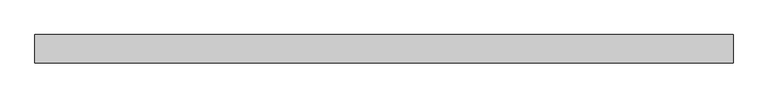
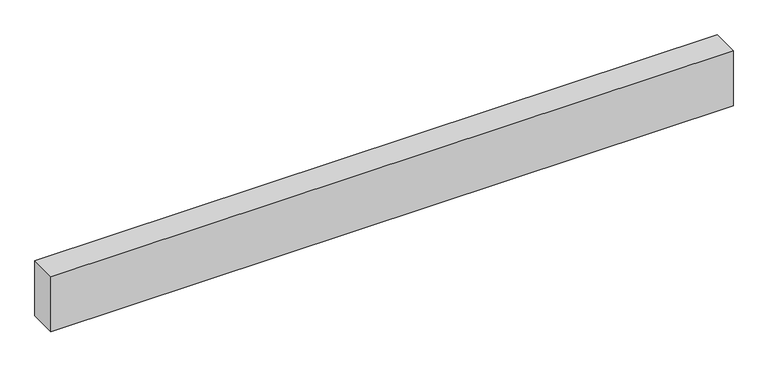
"""IFC4 building model written with IfcOpenShell, lengths in millimetres: beam geometry."""

import ifcopenshell
import ifcopenshell.guid

model = None  # the IFC model being written
_history = None  # IfcOwnerHistory: only IFC2X3 demands one
_inside = {}  # id of a spatial element -> (the spatial element, [elements in it])
_under = {}  # id of a project, library or spatial element -> (it, [spatial elements below it])
_declared = {}  # id of a project -> (the project, [libraries it declares])
_typed = {}  # id of a type object -> (the type object, [elements of that type])
_made_of = {}  # id of a material, layer set ... -> (it, [elements and type objects made of it])


def new_model(schema):
    """Start an empty IFC model of exactly this schema.

    Asked for "IFC4X3", IfcOpenShell would pick the latest addendum, in which some entities
    have other attributes; the version numbers below select the first issue.
    IFC2X3 requires an IfcOwnerHistory on every rooted entity: one is made here for all.
    """
    global model, _history
    if schema == "IFC4X3":
        model = ifcopenshell.file(schema_version=(4, 3, 0, 0))
    else:
        model = ifcopenshell.file(schema=schema)
    _inside.clear()
    _under.clear()
    _declared.clear()
    _typed.clear()
    _made_of.clear()
    _history = None
    if model.schema == "IFC2X3":
        org = make("IfcOrganization", Name="unknown")
        user = make(
            "IfcPersonAndOrganization",
            ThePerson=make("IfcPerson", FamilyName="unknown"),
            TheOrganization=org,
        )
        app = make(
            "IfcApplication",
            ApplicationDeveloper=org,
            Version="unknown",
            ApplicationFullName="unknown",
            ApplicationIdentifier="unknown",
        )
        _history = make(
            "IfcOwnerHistory",
            OwningUser=user,
            OwningApplication=app,
            ChangeAction="ADDED",
            CreationDate=0,
        )
    return model


def make(cls, **values):
    """One entity of the class cls with the attributes given. An attribute that is None is left unset."""
    return model.create_entity(
        cls, **{name: value for name, value in values.items() if value is not None}
    )


def rooted(cls, **values):
    """An entity with a GlobalId (a new one), such as an element, a storey or a relation."""
    return make(cls, GlobalId=ifcopenshell.guid.new(), OwnerHistory=_history, **values)


def si_unit(unit_type, name, prefix=None):
    """IfcSIUnit, for example si_unit("LENGTHUNIT", "METRE", prefix="MILLI")."""
    return make("IfcSIUnit", UnitType=unit_type, Prefix=prefix, Name=name)


def assignment(units):
    """IfcUnitAssignment: the units of a project."""
    return None if units is None else make("IfcUnitAssignment", Units=units)


def point(xyz):
    """IfcCartesianPoint."""
    return None if xyz is None else make("IfcCartesianPoint", Coordinates=xyz)


def direction(xyz):
    """IfcDirection."""
    return None if xyz is None else make("IfcDirection", DirectionRatios=xyz)


def frame(location, z_axis=None, x_axis=None):
    """IfcAxis2Placement3D, a coordinate frame: its origin and axes. An axis left out is left unset."""
    return make(
        "IfcAxis2Placement3D",
        Location=point(location),
        Axis=direction(z_axis),
        RefDirection=direction(x_axis),
    )


def origin():
    """The frame at (0, 0, 0) with its axes left unset."""
    return frame((0.0, 0.0, 0.0))


def place(relative_to, where):
    """IfcLocalPlacement: puts the frame where relative to a parent placement (None: the world)."""
    return make(
        "IfcLocalPlacement", PlacementRelTo=relative_to, RelativePlacement=where
    )


def context(
    kind, dimensions, precision=None, world=None, true_north=None, identifier=None
):
    """IfcGeometricRepresentationContext, for example the 3D "Model" context."""
    return make(
        "IfcGeometricRepresentationContext",
        ContextIdentifier=identifier,
        ContextType=kind,
        CoordinateSpaceDimension=dimensions,
        Precision=precision,
        WorldCoordinateSystem=world,
        TrueNorth=true_north,
    )


def project(units=None, contexts=None):
    """IfcProject with its units and contexts."""
    return rooted(
        "IfcProject",
        Name="project",
        RepresentationContexts=contexts,
        UnitsInContext=assignment(units),
    )


def spatial(cls, under=None, at=None, **own):
    """A site, building, storey or space (cls), placed at a placement, below another one or the project."""
    s = rooted(cls, ObjectPlacement=at, **own)
    if under is not None:
        _under.setdefault(under.id(), (under, []))[1].append(s)
    return s


def polyline(points):
    """IfcPolyline through the points."""
    return make("IfcPolyline", Points=[point(p) for p in points])


def outline(outer, holes=None, kind="AREA"):
    """IfcArbitraryClosedProfileDef: a profile drawn as a closed curve; with holes, ...WithVoids."""
    if holes is None:
        return make("IfcArbitraryClosedProfileDef", ProfileType=kind, OuterCurve=outer)
    return make(
        "IfcArbitraryProfileDefWithVoids",
        ProfileType=kind,
        OuterCurve=outer,
        InnerCurves=holes,
    )


def extrude(swept, where, along, depth):
    """IfcExtrudedAreaSolid: the profile swept, set in the frame where, extruded along a direction by depth."""
    return make(
        "IfcExtrudedAreaSolid",
        SweptArea=swept,
        Position=where,
        ExtrudedDirection=direction(along),
        Depth=depth,
    )


def shape(context_of_items, identifier, shape_type, items):
    """IfcShapeRepresentation: the items that make up one representation, for example the "Body"."""
    return make(
        "IfcShapeRepresentation",
        ContextOfItems=context_of_items,
        RepresentationIdentifier=identifier,
        RepresentationType=shape_type,
        Items=items,
    )


def source(mapping_origin, context_of_items, identifier, shape_type, items):
    """IfcRepresentationMap: a shape defined once, which mapped items show again and again."""
    return make(
        "IfcRepresentationMap",
        MappingOrigin=mapping_origin,
        MappedRepresentation=shape(context_of_items, identifier, shape_type, items),
    )


def transform(
    local_origin,
    x_axis=None,
    y_axis=None,
    z_axis=None,
    scale=None,
    scale2=None,
    scale3=None,
    uniform=True,
):
    """IfcCartesianTransformationOperator3D, or its non-uniform kind. x_axis, y_axis, z_axis: its Axis1, 2, 3."""
    if uniform:
        return make(
            "IfcCartesianTransformationOperator3D",
            Axis1=direction(x_axis),
            Axis2=direction(y_axis),
            LocalOrigin=point(local_origin),
            Scale=scale,
            Axis3=direction(z_axis),
        )
    return make(
        "IfcCartesianTransformationOperator3DnonUniform",
        Axis1=direction(x_axis),
        Axis2=direction(y_axis),
        LocalOrigin=point(local_origin),
        Scale=scale,
        Axis3=direction(z_axis),
        Scale2=scale2,
        Scale3=scale3,
    )


def mapped(mapping_source, mapping_target):
    """IfcMappedItem: shows the shape of a source again, moved by a transform."""
    return make(
        "IfcMappedItem", MappingSource=mapping_source, MappingTarget=mapping_target
    )


def made_of(thing, what):
    """Note that an element or type object is made of a material, layer set ...; save() writes the relation."""
    if what is not None:
        _made_of.setdefault(what.id(), (what, []))[1].append(thing)
    return thing


def element(
    cls,
    number,
    at=None,
    inside=None,
    cuts=None,
    type_object=None,
    material=None,
    context=None,
    identifier="Body",
    shape_type=None,
    held_by="IfcProductDefinitionShape",
    body=None,
    shapes=None,
    **own,
):
    """One element of the class cls, such as IfcWall. Its Tag is "e" and its number.

    at: its placement. inside: the storey or other place that contains it. cuts: it is an
    opening in that element (IfcRelVoidsElement). A single representation is given by context,
    identifier, shape_type and body (its items); several are given by shapes. held_by: the class
    of the entity that holds the representations. save() writes the other relations.
    """
    e = rooted(cls, Tag="e%d" % number, ObjectPlacement=at, **own)
    if body is not None:
        shapes = [shape(context, identifier, shape_type, body)]
    if shapes is not None:
        e.Representation = make(held_by, Representations=shapes)
    if inside is not None:
        _inside.setdefault(inside.id(), (inside, []))[1].append(e)
    if cuts is not None:
        rooted(
            "IfcRelVoidsElement", RelatingBuildingElement=cuts, RelatedOpeningElement=e
        )
    if type_object is not None:
        _typed.setdefault(type_object.id(), (type_object, []))[1].append(e)
    return made_of(e, material)


def aggregate(whole, parts):
    """IfcRelAggregates: a whole, such as a stair, and the parts it consists of."""
    return rooted("IfcRelAggregates", RelatingObject=whole, RelatedObjects=parts)


def save(model, path):
    """Write the relations noted so far, then the file.

    IfcRelAggregates (storeys below a building ...), IfcRelContainedInSpatialStructure (elements
    in a storey), IfcRelDefinesByType, IfcRelAssociatesMaterial and IfcRelDeclares: one each for
    every whole, place, type object, material and project.
    """
    for whole, parts in _under.values():
        aggregate(whole, parts)
    for where, things in _inside.values():
        rooted(
            "IfcRelContainedInSpatialStructure",
            RelatedElements=things,
            RelatingStructure=where,
        )
    for kind, things in _typed.values():
        rooted("IfcRelDefinesByType", RelatedObjects=things, RelatingType=kind)
    for what, things in _made_of.values():
        rooted("IfcRelAssociatesMaterial", RelatedObjects=things, RelatingMaterial=what)
    for by, libraries in _declared.values():
        rooted("IfcRelDeclares", RelatingContext=by, RelatedDefinitions=libraries)
    model.write(path)


def beam_59b39f0d(model_context):
    return source(origin(), model_context, "Body", "SweptSolid", [
        extrude(outline(polyline([(4371.9752751, 180.975), (4371.9752751, -180.975), (-4565.6382883, -180.975), (-4565.6382883, 180.975), (4371.9752751, 180.975)])), frame((0.0, 0.0, -381.0), z_axis=(0.0, 0.0, 1.0), x_axis=(1.0, 0.0, 0.0)), (0.0, 0.0, 1.0), 762.0),
    ])


if __name__ == "__main__":
    model = new_model("IFC4")
    model_context = context("Model", 3, world=origin())
    ifc_project = project(units=[si_unit("LENGTHUNIT", "METRE", prefix="MILLI")], contexts=[model_context])
    site = spatial("IfcSite", under=ifc_project)
    building = spatial("IfcBuilding", under=site)
    placement = place(None, origin())
    beam_shape = beam_59b39f0d(model_context)
    element("IfcBeam", 1, at=placement, inside=building, context=model_context, shape_type="MappedRepresentation", body=[
        mapped(beam_shape, transform((0.0, 0.0, 0.0), x_axis=(1.0, 0.0, 0.0), y_axis=(0.0, 1.0, 0.0), z_axis=(0.0, 0.0, 1.0))),
    ])
    save(model, "model.ifc")
